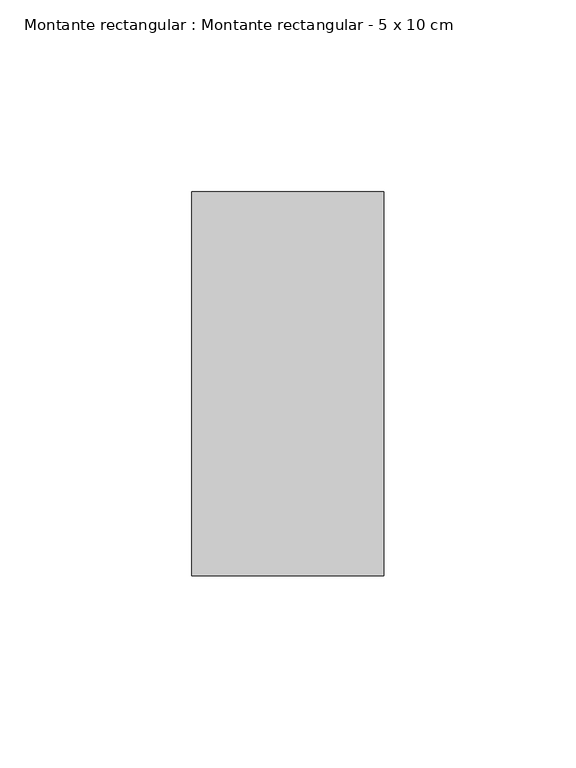
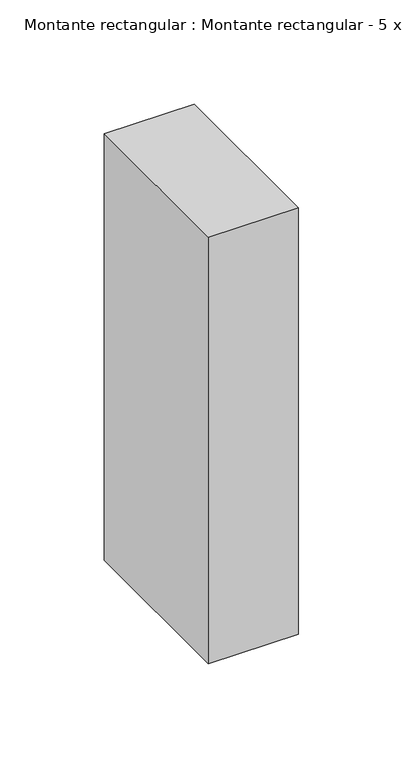
"""IFC4 building model written with IfcOpenShell, lengths in millimetres: member geometry, Montante rectangular : Montante rectangular - 5 x 10 cm."""

from ifc_helpers import new_model, si_unit, frame, origin, place, context, project, spatial, polyline, outline, extrude, source, transform, mapped, element, save


def montante_rectangular_montante_rectangular_5_x_10_cm_75dea36c(model_context):
    return source(origin(), model_context, "Body", "SweptSolid", [
        extrude(outline(polyline([(0.0, 50.0), (0.0, -50.0), (-50.0, -50.0), (-50.0, 50.0), (0.0, 50.0)])), frame((0.0, 0.0, -250.0), z_axis=(0.0, 0.0, 1.0), x_axis=(1.0, 0.0, 0.0)), (0.0, 0.0, 1.0), 250.0),
    ])


if __name__ == "__main__":
    model = new_model("IFC4")
    model_context = context("Model", 3, world=origin())
    ifc_project = project(units=[si_unit("LENGTHUNIT", "METRE", prefix="MILLI")], contexts=[model_context])
    site = spatial("IfcSite", under=ifc_project)
    building = spatial("IfcBuilding", under=site)
    placement = place(None, origin())
    montante_rectangular_montante_rectangular_5_x_10_cm_shape = montante_rectangular_montante_rectangular_5_x_10_cm_75dea36c(model_context)
    element("IfcMember", 1, ObjectType="Montante rectangular : Montante rectangular - 5 x 10 cm", at=placement, inside=building, context=model_context, shape_type="MappedRepresentation", body=[
        mapped(montante_rectangular_montante_rectangular_5_x_10_cm_shape, transform((0.0, 0.0, 0.0), x_axis=(1.0, 0.0, 0.0), y_axis=(0.0, 1.0, 0.0), z_axis=(0.0, 0.0, 1.0))),
    ])
    save(model, "model.ifc")
